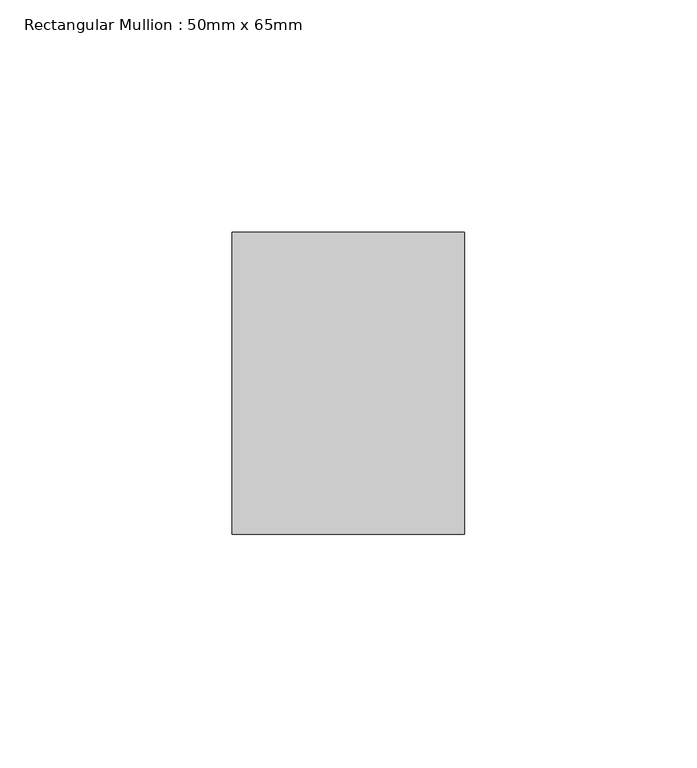
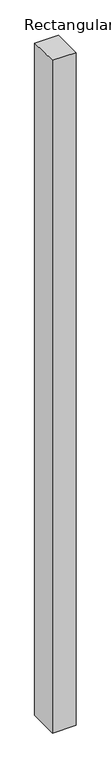
"""IFC4 building model written with IfcOpenShell, lengths in millimetres: member geometry, Rectangular Mullion : 50mm x 65mm."""

from ifc_helpers import new_model, si_unit, origin, place, context, project, spatial, faceted_brep, source, transform, mapped, element, save


def rectangular_mullion_50mm_x_65mm_72c5c3ff(model_context):
    return source(origin(), model_context, "Body", "Brep", [
        faceted_brep([(-25.0, 32.5, -0.3057242), (25.0, 32.5, -0.3057232), (25.0, 32.5, -1499.7970954), (-25.0, 32.5, -1499.7970947), (-25.0, -32.5, 0.3057232), (-25.0, -32.5, -1500.2025702), (25.0, -32.5, 0.3057242), (25.0, -32.5, -1500.202571)], [[[0, 1, 2, 3]], [[4, 0, 3, 5]], [[6, 4, 5, 7]], [[1, 6, 7, 2]], [[1, 0, 4, 6]], [[2, 7, 5, 3]]]),
    ])


if __name__ == "__main__":
    model = new_model("IFC4")
    model_context = context("Model", 3, world=origin())
    ifc_project = project(units=[si_unit("LENGTHUNIT", "METRE", prefix="MILLI")], contexts=[model_context])
    site = spatial("IfcSite", under=ifc_project)
    building = spatial("IfcBuilding", under=site)
    placement = place(None, origin())
    rectangular_mullion_50mm_x_65mm_shape = rectangular_mullion_50mm_x_65mm_72c5c3ff(model_context)
    element("IfcMember", 1, ObjectType="Rectangular Mullion : 50mm x 65mm", at=placement, inside=building, context=model_context, shape_type="MappedRepresentation", body=[
        mapped(rectangular_mullion_50mm_x_65mm_shape, transform((0.0, 0.0, 0.0), x_axis=(1.0, 0.0, 0.0), y_axis=(0.0, 1.0, 0.0), z_axis=(0.0, 0.0, 1.0))),
    ])
    save(model, "model.ifc")
